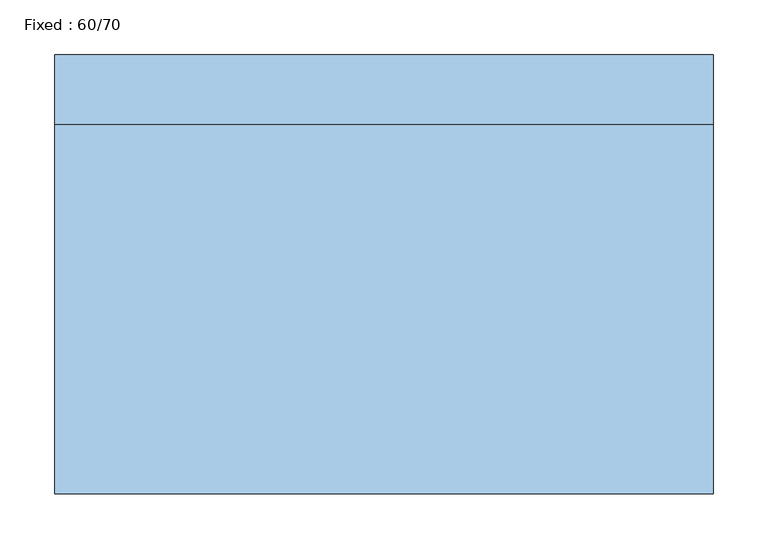
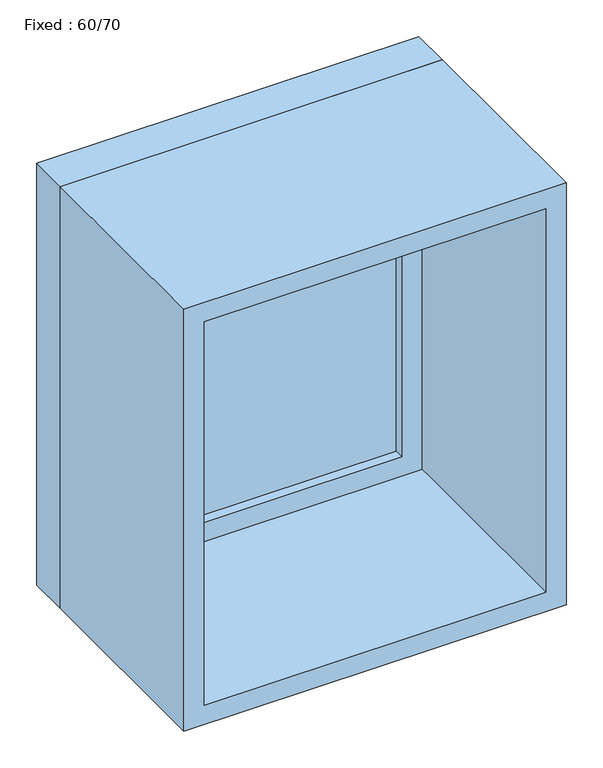
"""IFC4 building model written with IfcOpenShell, lengths in millimetres: window geometry, Fixed : 60/70."""

from ifc_helpers import new_model, si_unit, frame, origin, place, context, project, spatial, polyline, outline, extrude, source, transform, mapped, element, save


def fixed_60_70_51d90885(model_context):
    return source(origin(), model_context, "Body", "SweptSolid", [
        extrude(outline(polyline([(198.4, 152.375), (-274.6, 152.375), (-274.6, 165.075), (198.4, 165.075), (198.4, 152.375)])), frame((0.0, 0.0, 977.9), z_axis=(0.0, 0.0, 1.0), x_axis=(1.0, 0.0, 0.0)), (0.0, 0.0, 1.0), 573.0),
        extrude(outline(polyline([(1595.35, -319.05), (933.45, -319.05), (933.45, 242.85), (1595.35, 242.85), (1595.35, -319.05)]), holes=[polyline([(1550.9, -274.6), (1550.9, 198.4), (977.9, 198.4), (977.9, -274.6), (1550.9, -274.6)])]), frame((0.0, 136.5, 0.0), z_axis=(0.0, 1.0, 0.0), x_axis=(0.0, 0.0, 1.0)), (0.0, 0.0, 1.0), 44.45),
        extrude(outline(polyline([(1614.4, -338.1), (914.4, -338.1), (914.4, 261.9), (1614.4, 261.9), (1614.4, -338.1)]), holes=[polyline([(1582.65, -306.35), (1582.65, 230.15), (946.15, 230.15), (946.15, -306.35), (1582.65, -306.35)])]), frame((0.0, -200.0, 0.0), z_axis=(0.0, 1.0, 0.0), x_axis=(0.0, 0.0, 1.0)), (0.0, 0.0, 1.0), 336.5),
        extrude(outline(polyline([(1614.4, 261.9), (1614.4, -338.1), (914.4, -338.1), (914.4, 261.9), (1614.4, 261.9)]), holes=[polyline([(1595.35, 242.85), (933.45, 242.85), (933.45, -319.05), (1595.35, -319.05), (1595.35, 242.85)])]), frame((0.0, 136.5, 0.0), z_axis=(0.0, 1.0, 0.0), x_axis=(0.0, 0.0, 1.0)), (0.0, 0.0, 1.0), 63.5),
    ])


if __name__ == "__main__":
    model = new_model("IFC4")
    model_context = context("Model", 3, world=origin())
    ifc_project = project(units=[si_unit("LENGTHUNIT", "METRE", prefix="MILLI")], contexts=[model_context])
    site = spatial("IfcSite", under=ifc_project)
    building = spatial("IfcBuilding", under=site)
    placement = place(None, origin())
    fixed_60_70_shape = fixed_60_70_51d90885(model_context)
    element("IfcWindow", 1, ObjectType="Fixed : 60/70", at=placement, inside=building, context=model_context, shape_type="MappedRepresentation", body=[
        mapped(fixed_60_70_shape, transform((0.0, 0.0, 0.0), x_axis=(1.0, 0.0, 0.0), y_axis=(0.0, 1.0, 0.0), z_axis=(0.0, 0.0, 1.0))),
    ])
    save(model, "model.ifc")
